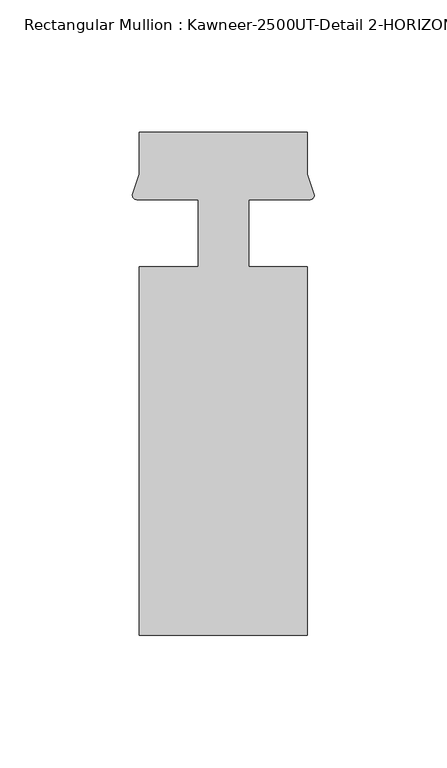
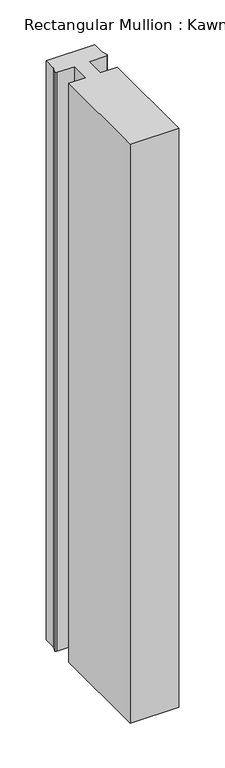
"""IFC4 building model written with IfcOpenShell, lengths in millimetres: member geometry, Rectangular Mullion : Kawneer-2500UT-Detail 2-HORIZONTAL 1 INCH INFILL."""

from ifc_helpers import new_model, si_unit, point, frame, frame_2d, origin, place, context, project, spatial, polyline, circle_curve, trimmed, segment, composite_curve, outline, extrude, source, transform, mapped, element, save


def rectangular_mullion_kawneer_2500ut_detail_2_horizontal_1_a24dba8b(model_context):
    return source(origin(), model_context, "Body", "SweptSolid", [
        extrude(outline(composite_curve([segment(polyline([(31.75, 25.3880937), (31.75, 9.5131914), (34.4008552, 1.576523)]), True, "CONTINUOUS"), segment(trimmed(circle_curve(frame_2d((32.7012373, 1.6895058)), 1.703369), [point((34.4008552, 1.576523))], [point((32.7841288, -0.0118452))], False, "CARTESIAN"), True, "CONTINUOUS"), segment(trimmed(circle_curve(frame_2d((27.4492482, -461.0197259)), 461.0387479), [point((32.7841288, -0.0118452))], [point((9.525, -0.329539))], True, "CARTESIAN"), True, "CONTINUOUS"), segment(polyline([(9.525, -0.329539), (9.525, -25.4119063), (31.75, -25.4119063), (31.75, -164.6039062), (-31.75, -164.6039063), (-31.75, -25.4119063), (-9.525, -25.4119063), (-9.525, -0.329539)]), True, "CONTINUOUS"), segment(trimmed(circle_curve(frame_2d((-27.4492482, -461.0197259)), 461.0387479), [point((-9.525, -0.329539))], [point((-32.7841288, -0.0118452))], True, "CARTESIAN"), True, "CONTINUOUS"), segment(trimmed(circle_curve(frame_2d((-32.7012373, 1.6895058)), 1.703369), [point((-32.7841288, -0.0118452))], [point((-34.4008552, 1.576523))], False, "CARTESIAN"), True, "CONTINUOUS"), segment(polyline([(-34.4008552, 1.576523), (-31.75, 9.5131914), (-31.75, 25.3880937), (31.75, 25.3880937)]), True, "CONTINUOUS")], self_intersect=False)), frame((0.0, 0.0, -799.8831251), z_axis=(0.0, 0.0, 1.0), x_axis=(1.0, 0.0, 0.0)), (0.0, 0.0, 1.0), 799.8831251),
    ])


if __name__ == "__main__":
    model = new_model("IFC4")
    model_context = context("Model", 3, world=origin())
    ifc_project = project(units=[si_unit("LENGTHUNIT", "METRE", prefix="MILLI")], contexts=[model_context])
    site = spatial("IfcSite", under=ifc_project)
    building = spatial("IfcBuilding", under=site)
    placement = place(None, origin())
    rectangular_mullion_kawneer_2500ut_detail_2_horizontal_1_shape = rectangular_mullion_kawneer_2500ut_detail_2_horizontal_1_a24dba8b(model_context)
    element("IfcMember", 1, ObjectType="Rectangular Mullion : Kawneer-2500UT-Detail 2-HORIZONTAL 1 INCH INFILL", at=placement, inside=building, context=model_context, shape_type="MappedRepresentation", body=[
        mapped(rectangular_mullion_kawneer_2500ut_detail_2_horizontal_1_shape, transform((0.0, 0.0, 0.0), x_axis=(1.0, 0.0, 0.0), y_axis=(0.0, 1.0, 0.0), z_axis=(0.0, 0.0, 1.0))),
    ])
    save(model, "model.ifc")
